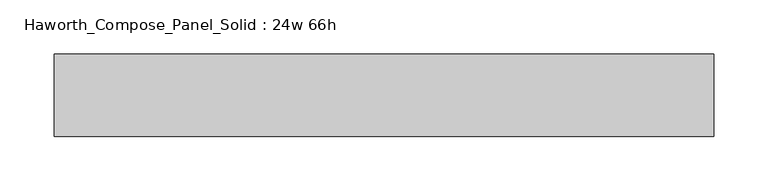
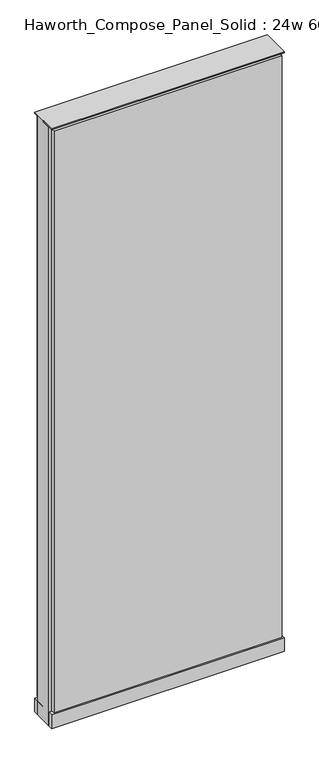
"""IFC4 building model written with IfcOpenShell, lengths in millimetres: furniture geometry, Haworth_Compose_Panel_Solid : 24w 66h."""

from ifc_helpers import new_model, si_unit, point, frame, frame_2d, origin, origin_with_axes, place, context, project, spatial, polyline, circle_curve, trimmed, segment, composite_curve, outline, extrude, source, transform, mapped, element, save


def haworth_compose_panel_solid_24w_66h_ff6f2d16(model_context):
    return source(origin(), model_context, "Body", "SweptSolid", [
        extrude(outline(composite_curve([segment(trimmed(circle_curve(frame_2d((-226.1597098, 0.0)), 12.7), [point((-238.8597098, 0.0))], [point((-213.4597098, 0.0))], False, "CARTESIAN"), True, "CONTINUOUS"), segment(trimmed(circle_curve(frame_2d((-226.1597098, 0.0)), 12.7), [point((-213.4597098, 0.0))], [point((-238.8597098, 0.0))], False, "CARTESIAN"), True, "CONTINUOUS")], self_intersect=False)), origin_with_axes(), (0.0, 0.0, 1.0), 12.7),
        extrude(outline(composite_curve([segment(trimmed(circle_curve(frame_2d((231.0402902, 0.0)), 12.7), [point((218.3402902, 0.0))], [point((243.7402902, 0.0))], False, "CARTESIAN"), True, "CONTINUOUS"), segment(trimmed(circle_curve(frame_2d((231.0402902, 0.0)), 12.7), [point((243.7402902, 0.0))], [point((218.3402902, 0.0))], False, "CARTESIAN"), True, "CONTINUOUS")], self_intersect=False)), origin_with_axes(), (0.0, 0.0, 1.0), 12.7),
        extrude(outline(polyline([(300.8902902, -38.1), (-296.0097098, -38.1), (-296.0097098, -25.4), (300.8902902, -25.4), (300.8902902, -38.1)])), frame((0.0, 0.0, 53.975), z_axis=(0.0, 0.0, 1.0), x_axis=(1.0, 0.0, 0.0)), (0.0, 0.0, 1.0), 1609.725),
        extrude(outline(polyline([(300.8902902, 38.1), (300.8902902, 25.4), (-296.0097098, 25.4), (-296.0097098, 38.1), (300.8902902, 38.1)])), frame((0.0, 0.0, 53.975), z_axis=(0.0, 0.0, 1.0), x_axis=(1.0, 0.0, 0.0)), (0.0, 0.0, 1.0), 1609.725),
        extrude(outline(polyline([(307.2402902, -25.4), (-302.3597098, -25.4), (-302.3597098, 25.4), (307.2402902, 25.4), (307.2402902, -25.4)])), frame((0.0, 0.0, 12.7), z_axis=(0.0, 0.0, 1.0), x_axis=(1.0, 0.0, 0.0)), (0.0, 0.0, 1.0), 1657.35),
        extrude(outline(polyline([(-302.3597098, 38.1), (307.2402902, 38.1), (307.2402902, -38.1), (-302.3597098, -38.1), (-302.3597098, 38.1)])), frame((0.0, 0.0, 12.7), z_axis=(0.0, 0.0, 1.0), x_axis=(1.0, 0.0, 0.0)), (0.0, 0.0, 1.0), 38.1),
        extrude(outline(polyline([(-302.3597098, 38.1), (307.2402902, 38.1), (307.2402902, -38.1), (-302.3597098, -38.1), (-302.3597098, 38.1)])), frame((0.0, 0.0, 1670.05), z_axis=(0.0, 0.0, 1.0), x_axis=(1.0, 0.0, 0.0)), (0.0, 0.0, 1.0), 3.175),
    ])


if __name__ == "__main__":
    model = new_model("IFC4")
    model_context = context("Model", 3, world=origin())
    ifc_project = project(units=[si_unit("LENGTHUNIT", "METRE", prefix="MILLI")], contexts=[model_context])
    site = spatial("IfcSite", under=ifc_project)
    building = spatial("IfcBuilding", under=site)
    placement = place(None, origin())
    haworth_compose_panel_solid_24w_66h_shape = haworth_compose_panel_solid_24w_66h_ff6f2d16(model_context)
    element("IfcFurniture", 1, ObjectType="Haworth_Compose_Panel_Solid : 24w 66h", at=placement, inside=building, context=model_context, shape_type="MappedRepresentation", body=[
        mapped(haworth_compose_panel_solid_24w_66h_shape, transform((0.0, 0.0, 0.0), x_axis=(1.0, 0.0, 0.0), y_axis=(0.0, 1.0, 0.0), z_axis=(0.0, 0.0, 1.0))),
    ])
    save(model, "model.ifc")
